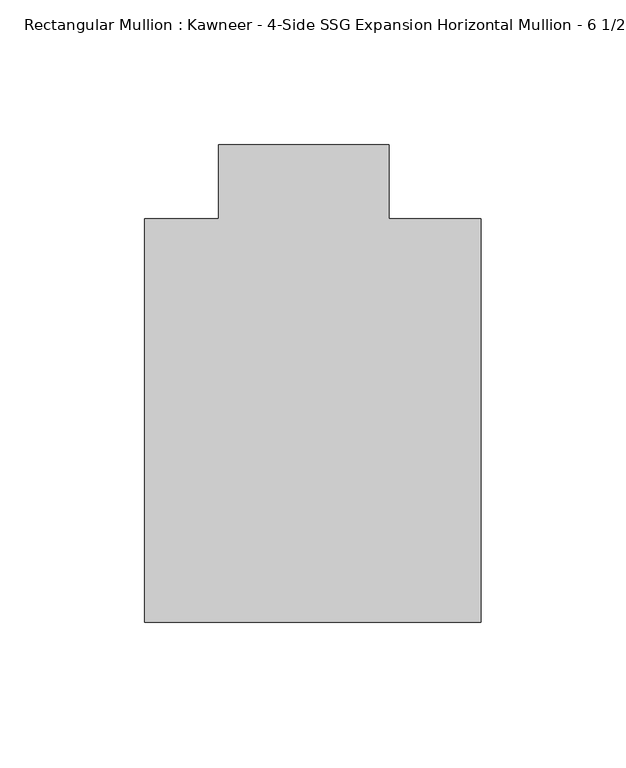
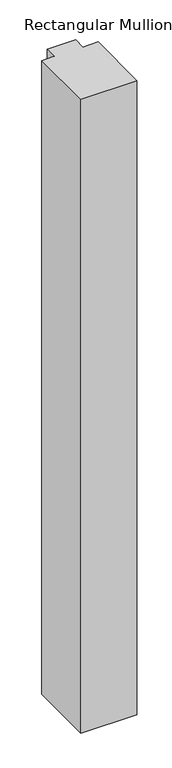
"""IFC4 building model written with IfcOpenShell, lengths in millimetres: member geometry."""

import ifcopenshell
import ifcopenshell.guid

model = None  # the IFC model being written
_history = None  # IfcOwnerHistory: only IFC2X3 demands one
_inside = {}  # id of a spatial element -> (the spatial element, [elements in it])
_under = {}  # id of a project, library or spatial element -> (it, [spatial elements below it])
_declared = {}  # id of a project -> (the project, [libraries it declares])
_typed = {}  # id of a type object -> (the type object, [elements of that type])
_made_of = {}  # id of a material, layer set ... -> (it, [elements and type objects made of it])


def new_model(schema):
    """Start an empty IFC model of exactly this schema.

    Asked for "IFC4X3", IfcOpenShell would pick the latest addendum, in which some entities
    have other attributes; the version numbers below select the first issue.
    IFC2X3 requires an IfcOwnerHistory on every rooted entity: one is made here for all.
    """
    global model, _history
    if schema == "IFC4X3":
        model = ifcopenshell.file(schema_version=(4, 3, 0, 0))
    else:
        model = ifcopenshell.file(schema=schema)
    _inside.clear()
    _under.clear()
    _declared.clear()
    _typed.clear()
    _made_of.clear()
    _history = None
    if model.schema == "IFC2X3":
        org = make("IfcOrganization", Name="unknown")
        user = make(
            "IfcPersonAndOrganization",
            ThePerson=make("IfcPerson", FamilyName="unknown"),
            TheOrganization=org,
        )
        app = make(
            "IfcApplication",
            ApplicationDeveloper=org,
            Version="unknown",
            ApplicationFullName="unknown",
            ApplicationIdentifier="unknown",
        )
        _history = make(
            "IfcOwnerHistory",
            OwningUser=user,
            OwningApplication=app,
            ChangeAction="ADDED",
            CreationDate=0,
        )
    return model


def make(cls, **values):
    """One entity of the class cls with the attributes given. An attribute that is None is left unset."""
    return model.create_entity(
        cls, **{name: value for name, value in values.items() if value is not None}
    )


def rooted(cls, **values):
    """An entity with a GlobalId (a new one), such as an element, a storey or a relation."""
    return make(cls, GlobalId=ifcopenshell.guid.new(), OwnerHistory=_history, **values)


def si_unit(unit_type, name, prefix=None):
    """IfcSIUnit, for example si_unit("LENGTHUNIT", "METRE", prefix="MILLI")."""
    return make("IfcSIUnit", UnitType=unit_type, Prefix=prefix, Name=name)


def assignment(units):
    """IfcUnitAssignment: the units of a project."""
    return None if units is None else make("IfcUnitAssignment", Units=units)


def point(xyz):
    """IfcCartesianPoint."""
    return None if xyz is None else make("IfcCartesianPoint", Coordinates=xyz)


def direction(xyz):
    """IfcDirection."""
    return None if xyz is None else make("IfcDirection", DirectionRatios=xyz)


def frame(location, z_axis=None, x_axis=None):
    """IfcAxis2Placement3D, a coordinate frame: its origin and axes. An axis left out is left unset."""
    return make(
        "IfcAxis2Placement3D",
        Location=point(location),
        Axis=direction(z_axis),
        RefDirection=direction(x_axis),
    )


def origin():
    """The frame at (0, 0, 0) with its axes left unset."""
    return frame((0.0, 0.0, 0.0))


def place(relative_to, where):
    """IfcLocalPlacement: puts the frame where relative to a parent placement (None: the world)."""
    return make(
        "IfcLocalPlacement", PlacementRelTo=relative_to, RelativePlacement=where
    )


def context(
    kind, dimensions, precision=None, world=None, true_north=None, identifier=None
):
    """IfcGeometricRepresentationContext, for example the 3D "Model" context."""
    return make(
        "IfcGeometricRepresentationContext",
        ContextIdentifier=identifier,
        ContextType=kind,
        CoordinateSpaceDimension=dimensions,
        Precision=precision,
        WorldCoordinateSystem=world,
        TrueNorth=true_north,
    )


def project(units=None, contexts=None):
    """IfcProject with its units and contexts."""
    return rooted(
        "IfcProject",
        Name="project",
        RepresentationContexts=contexts,
        UnitsInContext=assignment(units),
    )


def spatial(cls, under=None, at=None, **own):
    """A site, building, storey or space (cls), placed at a placement, below another one or the project."""
    s = rooted(cls, ObjectPlacement=at, **own)
    if under is not None:
        _under.setdefault(under.id(), (under, []))[1].append(s)
    return s


def polyline(points):
    """IfcPolyline through the points."""
    return make("IfcPolyline", Points=[point(p) for p in points])


def outline(outer, holes=None, kind="AREA"):
    """IfcArbitraryClosedProfileDef: a profile drawn as a closed curve; with holes, ...WithVoids."""
    if holes is None:
        return make("IfcArbitraryClosedProfileDef", ProfileType=kind, OuterCurve=outer)
    return make(
        "IfcArbitraryProfileDefWithVoids",
        ProfileType=kind,
        OuterCurve=outer,
        InnerCurves=holes,
    )


def extrude(swept, where, along, depth):
    """IfcExtrudedAreaSolid: the profile swept, set in the frame where, extruded along a direction by depth."""
    return make(
        "IfcExtrudedAreaSolid",
        SweptArea=swept,
        Position=where,
        ExtrudedDirection=direction(along),
        Depth=depth,
    )


def shape(context_of_items, identifier, shape_type, items):
    """IfcShapeRepresentation: the items that make up one representation, for example the "Body"."""
    return make(
        "IfcShapeRepresentation",
        ContextOfItems=context_of_items,
        RepresentationIdentifier=identifier,
        RepresentationType=shape_type,
        Items=items,
    )


def source(mapping_origin, context_of_items, identifier, shape_type, items):
    """IfcRepresentationMap: a shape defined once, which mapped items show again and again."""
    return make(
        "IfcRepresentationMap",
        MappingOrigin=mapping_origin,
        MappedRepresentation=shape(context_of_items, identifier, shape_type, items),
    )


def transform(
    local_origin,
    x_axis=None,
    y_axis=None,
    z_axis=None,
    scale=None,
    scale2=None,
    scale3=None,
    uniform=True,
):
    """IfcCartesianTransformationOperator3D, or its non-uniform kind. x_axis, y_axis, z_axis: its Axis1, 2, 3."""
    if uniform:
        return make(
            "IfcCartesianTransformationOperator3D",
            Axis1=direction(x_axis),
            Axis2=direction(y_axis),
            LocalOrigin=point(local_origin),
            Scale=scale,
            Axis3=direction(z_axis),
        )
    return make(
        "IfcCartesianTransformationOperator3DnonUniform",
        Axis1=direction(x_axis),
        Axis2=direction(y_axis),
        LocalOrigin=point(local_origin),
        Scale=scale,
        Axis3=direction(z_axis),
        Scale2=scale2,
        Scale3=scale3,
    )


def mapped(mapping_source, mapping_target):
    """IfcMappedItem: shows the shape of a source again, moved by a transform."""
    return make(
        "IfcMappedItem", MappingSource=mapping_source, MappingTarget=mapping_target
    )


def made_of(thing, what):
    """Note that an element or type object is made of a material, layer set ...; save() writes the relation."""
    if what is not None:
        _made_of.setdefault(what.id(), (what, []))[1].append(thing)
    return thing


def element(
    cls,
    number,
    at=None,
    inside=None,
    cuts=None,
    type_object=None,
    material=None,
    context=None,
    identifier="Body",
    shape_type=None,
    held_by="IfcProductDefinitionShape",
    body=None,
    shapes=None,
    **own,
):
    """One element of the class cls, such as IfcWall. Its Tag is "e" and its number.

    at: its placement. inside: the storey or other place that contains it. cuts: it is an
    opening in that element (IfcRelVoidsElement). A single representation is given by context,
    identifier, shape_type and body (its items); several are given by shapes. held_by: the class
    of the entity that holds the representations. save() writes the other relations.
    """
    e = rooted(cls, Tag="e%d" % number, ObjectPlacement=at, **own)
    if body is not None:
        shapes = [shape(context, identifier, shape_type, body)]
    if shapes is not None:
        e.Representation = make(held_by, Representations=shapes)
    if inside is not None:
        _inside.setdefault(inside.id(), (inside, []))[1].append(e)
    if cuts is not None:
        rooted(
            "IfcRelVoidsElement", RelatingBuildingElement=cuts, RelatedOpeningElement=e
        )
    if type_object is not None:
        _typed.setdefault(type_object.id(), (type_object, []))[1].append(e)
    return made_of(e, material)


def aggregate(whole, parts):
    """IfcRelAggregates: a whole, such as a stair, and the parts it consists of."""
    return rooted("IfcRelAggregates", RelatingObject=whole, RelatedObjects=parts)


def save(model, path):
    """Write the relations noted so far, then the file.

    IfcRelAggregates (storeys below a building ...), IfcRelContainedInSpatialStructure (elements
    in a storey), IfcRelDefinesByType, IfcRelAssociatesMaterial and IfcRelDeclares: one each for
    every whole, place, type object, material and project.
    """
    for whole, parts in _under.values():
        aggregate(whole, parts)
    for where, things in _inside.values():
        rooted(
            "IfcRelContainedInSpatialStructure",
            RelatedElements=things,
            RelatingStructure=where,
        )
    for kind, things in _typed.values():
        rooted("IfcRelDefinesByType", RelatedObjects=things, RelatingType=kind)
    for what, things in _made_of.values():
        rooted("IfcRelAssociatesMaterial", RelatedObjects=things, RelatingMaterial=what)
    for by, libraries in _declared.values():
        rooted("IfcRelDeclares", RelatingContext=by, RelatedDefinitions=libraries)
    model.write(path)


def member_53ca72cb(model_context):
    return source(origin(), model_context, "Body", "SweptSolid", [
        extrude(outline(polyline([(-62.2957636, -151.892), (-62.2957636, -12.7), (-36.8958768, -12.7), (-36.8958768, 12.7), (21.8651592, 12.7), (21.8651592, -12.7), (53.615046, -12.7), (53.615046, -151.892), (-62.2957636, -151.892)])), frame((0.0, 0.0, -1386.5451137), z_axis=(0.0, 0.0, 1.0), x_axis=(1.0, 0.0, 0.0)), (0.0, 0.0, 1.0), 1386.5451137),
    ])


if __name__ == "__main__":
    model = new_model("IFC4")
    model_context = context("Model", 3, world=origin())
    ifc_project = project(units=[si_unit("LENGTHUNIT", "METRE", prefix="MILLI")], contexts=[model_context])
    site = spatial("IfcSite", under=ifc_project)
    building = spatial("IfcBuilding", under=site)
    placement = place(None, origin())
    member_shape = member_53ca72cb(model_context)
    element("IfcMember", 1, ObjectType="Rectangular Mullion : Kawneer - 4-Side SSG Expansion Horizontal Mullion - 6 1/2\"", at=placement, inside=building, context=model_context, shape_type="MappedRepresentation", body=[
        mapped(member_shape, transform((0.0, 0.0, 0.0), x_axis=(1.0, 0.0, 0.0), y_axis=(0.0, 1.0, 0.0), z_axis=(0.0, 0.0, 1.0))),
    ])
    save(model, "model.ifc")
